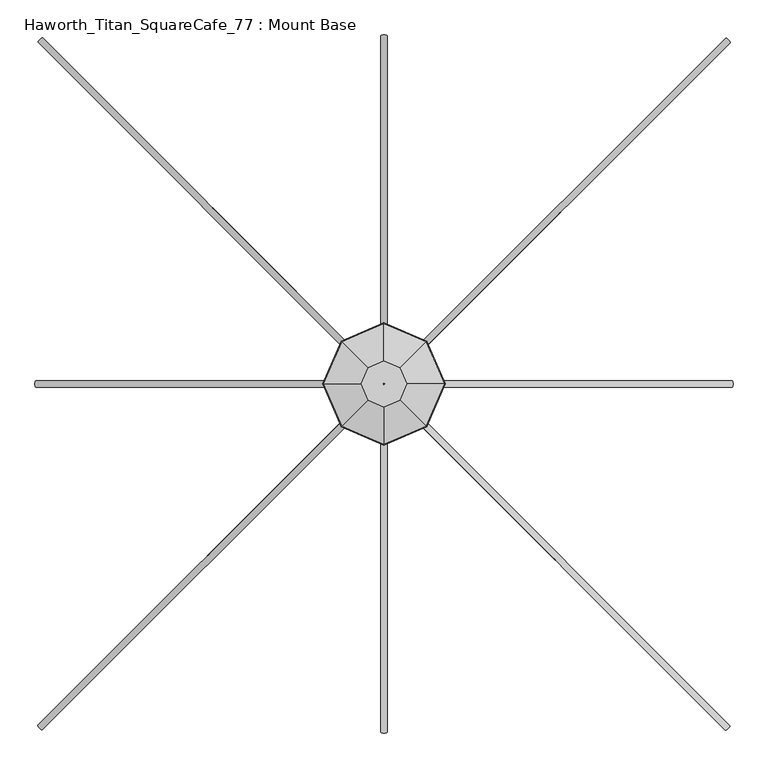
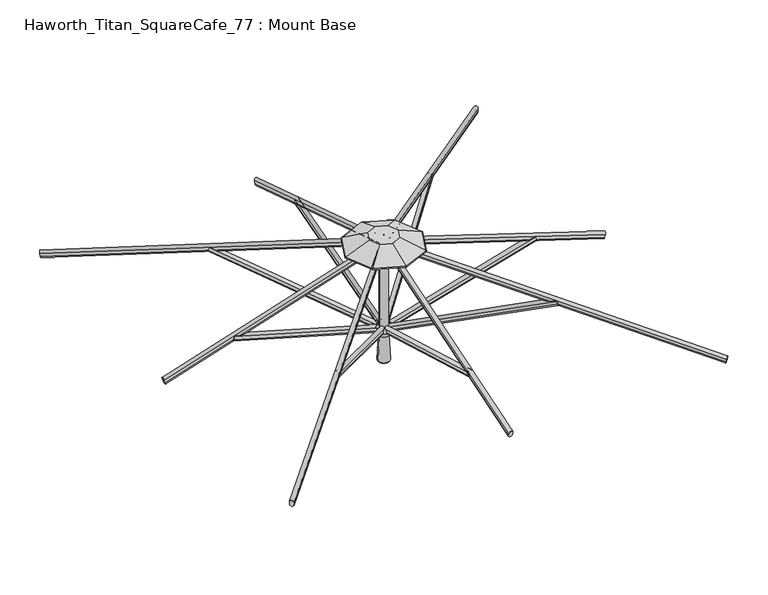
"""IFC4 building model written with IfcOpenShell, lengths in millimetres: furniture geometry, Haworth_Titan_SquareCafe_77 : Mount Base."""

from ifc_helpers import new_model, si_unit, point, frame, frame_2d, origin, place, context, project, spatial, polyline, circle_curve, ellipse_curve, trimmed, segment, composite_curve, outline, extrude, source, transform, mapped, element, save
from ifc_brep_helpers import plane_surface, cylinder_surface, revolved_surface, advanced_brep


def haworth_titan_squarecafe_77_mount_base_4099a682(model_context):
    return source(origin(), model_context, "Body", "SolidModel", [
        advanced_brep(
        [(27.2683615, -19.2336926, 1922.12924), (14.6109934, -31.8847837, 1922.132694), (11.2419343, -28.5104761, 1935.2337774), (23.8412093, -15.8053218, 1935.4482204), (498.5488652, -490.6817867, 2164.7490815), (495.125569, -487.2531575, 2178.0610737), (482.522438, -499.9585701, 2177.8536189), (485.8914971, -503.3328778, 2164.7525356)],
        [
            (0, 1, circle_curve(frame((20.9396775, -25.5592382, 1922.130967), z_axis=(-0.6643469032264145, 0.6645831492634016, -0.34201232417650185), x_axis=(0.24179623770357228, -0.24188222200279652, -0.9396954666866216)), 8.947892)),
            (1, 2),
            (2, 3, circle_curve(frame((17.5134141, -22.1317564, 1935.4464933), z_axis=(-0.6643469032264145, 0.6645831492634016, -0.34201232417650185), x_axis=(0.24179623770357228, -0.24188222200279652, -0.9396954666866216)), 8.947892)),
            (3, 0),
            (4, 5),
            (5, 6, circle_curve(frame((488.7939178, -493.5798504, 2178.0663349), z_axis=(0.6643469032264145, -0.6645831492634016, 0.34201232417650185), x_axis=(0.24179623770357228, -0.24188222200279652, -0.9396954666866216)), 8.947892)),
            (6, 7),
            (7, 4, circle_curve(frame((492.2201811, -497.0073322, 2164.7508086), z_axis=(0.6643469032264145, -0.6645831492634016, 0.34201232417650185), x_axis=(0.24179623770357228, -0.24188222200279652, -0.9396954666866216)), 8.947892)),
            (0, 4),
            (7, 1),
            (6, 2),
            (5, 3),
        ],
        [
            plane_surface(frame((23.4557037, -27.4939855, 1913.4841596), z_axis=(-0.6643469032264145, 0.6645831492634017, -0.34201232417650174), x_axis=(0.7072324735232899, 0.70698106650329, 0.0))),
            plane_surface(frame((494.7362074, -498.9420795, 2156.1040011), z_axis=(0.6643469032264145, -0.6645831492634017, 0.34201232417650174), x_axis=(0.7072324735232899, 0.70698106650329, 0.0))),
            cylinder_surface(frame((20.9396775, -25.5592382, 1922.130967), z_axis=(-0.6643469032264145, 0.6645831492634016, -0.34201232417650185), x_axis=(0.24179623770357228, -0.24188222200279652, -0.9396954666866216)), 8.947892),
            plane_surface(frame((14.6109934, -31.8847837, 1922.132694), z_axis=(-0.7072821230270891, -0.7069313695068921, 0.00019301140866706534), x_axis=(0.6643469032264145, -0.6645831492634016, 0.3420123241765016))),
            cylinder_surface(frame((17.5134141, -22.1317564, 1935.4464933), z_axis=(-0.6643469032264145, 0.6645831492634016, -0.34201232417650185), x_axis=(0.24179623770357228, -0.24188222200279652, -0.9396954666866216)), 8.947892),
            plane_surface(frame((23.8450653, -15.8050635, 1935.4412321), z_axis=(0.7072821230270898, 0.7069313695068913, -0.00019301140866992417), x_axis=(0.6643469032264145, -0.6645831492634016, 0.34201232417650157))),
        ],
        [
            (0, [[1, 2, 3, 4]]),
            (1, [[5, 6, 7, 8]]),
            (2, [[-1, 9, -8, 10]]),
            (3, [[-2, -10, -7, 11]]),
            (4, [[-3, -11, -6, 12]]),
            (5, [[-4, -12, -5, -9]]),
        ],
    ),
        advanced_brep(
        [(-15.2037519, -31.2983023, 1922.12924), (-27.8548429, -18.6409342, 1922.132694), (-24.4805353, -15.2718751, 1935.2337774), (-11.775381, -27.8711501, 1935.4482204), (-486.6518459, -502.5788059, 2164.7490815), (-483.2232167, -499.1555098, 2178.0610737), (-495.9286293, -486.5523788, 2177.8536189), (-499.302937, -489.9214379, 2164.7525356)],
        [
            (0, 1, circle_curve(frame((-21.5292974, -24.9696182, 1922.130967), z_axis=(0.6645831492634093, 0.6643469032264067, -0.34201232417650174), x_axis=(-0.24188222200279944, -0.24179623770356928, -0.9396954666866217)), 8.947892)),
            (1, 2),
            (2, 3, circle_curve(frame((-18.1018156, -21.5433549, 1935.4464933), z_axis=(0.6645831492634093, 0.6643469032264067, -0.34201232417650174), x_axis=(-0.24188222200279944, -0.24179623770356928, -0.9396954666866217)), 8.947892)),
            (3, 0),
            (4, 5),
            (5, 6, circle_curve(frame((-489.5499097, -492.8238585, 2178.0663349), z_axis=(-0.6645831492634093, -0.6643469032264067, 0.34201232417650174), x_axis=(-0.24188222200279944, -0.24179623770356928, -0.9396954666866217)), 8.947892)),
            (6, 7),
            (7, 4, circle_curve(frame((-492.9773914, -496.2501219, 2164.7508086), z_axis=(-0.6645831492634093, -0.6643469032264067, 0.34201232417650174), x_axis=(-0.24188222200279944, -0.24179623770356928, -0.9396954666866217)), 8.947892)),
            (0, 4),
            (7, 1),
            (6, 2),
            (5, 3),
        ],
        [
            plane_surface(frame((-23.4640447, -27.4856445, 1913.4841596), z_axis=(0.6645831492634096, 0.6643469032264068, -0.34201232417650174), x_axis=(0.7069810665032816, -0.7072324735232982, 0.0))),
            plane_surface(frame((-494.9121388, -498.7661482, 2156.1040011), z_axis=(-0.6645831492634096, -0.6643469032264068, 0.34201232417650174), x_axis=(0.7069810665032816, -0.7072324735232982, 0.0))),
            cylinder_surface(frame((-21.5292974, -24.9696182, 1922.130967), z_axis=(0.6645831492634094, 0.6643469032264068, -0.3420123241765018), x_axis=(-0.24188222200279944, -0.24179623770356928, -0.9396954666866217)), 8.947892),
            plane_surface(frame((-27.8548429, -18.6409342, 1922.132694), z_axis=(-0.7069313695068838, 0.7072821230270975, 0.00019301140866717637), x_axis=(-0.6645831492634093, -0.6643469032264067, 0.342012324176502))),
            cylinder_surface(frame((-18.1018156, -21.5433549, 1935.4464933), z_axis=(0.6645831492634094, 0.6643469032264068, -0.3420123241765018), x_axis=(-0.24188222200279944, -0.24179623770356928, -0.9396954666866217)), 8.947892),
            plane_surface(frame((-11.7751227, -27.8750061, 1935.4412321), z_axis=(0.706931369506883, -0.7072821230270981, -0.0001930114086700352), x_axis=(-0.6645831492634093, -0.6643469032264067, 0.342012324176502))),
        ],
        [
            (0, [[1, 2, 3, 4]]),
            (1, [[5, 6, 7, 8]]),
            (2, [[-1, 9, -8, 10]]),
            (3, [[-2, -10, -7, 11]]),
            (4, [[-3, -11, -6, 12]]),
            (5, [[-4, -12, -5, -9]]),
        ],
    ),
        advanced_brep(
        [(-27.2683615, 11.1738111, 1922.12924), (-14.6109934, 23.8249021, 1922.132694), (-11.2419343, 20.4505945, 1935.2337774), (-23.8412093, 7.7454402, 1935.4482204), (-498.5488652, 482.6219051, 2164.7490815), (-495.125569, 479.193276, 2178.0610737), (-482.522438, 491.8986886, 2177.8536189), (-485.8914971, 495.2729962, 2164.7525356)],
        [
            (0, 1, circle_curve(frame((-20.9396775, 17.4993566, 1922.130967), z_axis=(0.6643469032264122, -0.6645831492634039, -0.3420123241765018), x_axis=(-0.24179623770357134, 0.2418822220027974, -0.9396954666866217)), 8.947892)),
            (1, 2),
            (2, 3, circle_curve(frame((-17.5134141, 14.0718748, 1935.4464933), z_axis=(0.6643469032264122, -0.6645831492634039, -0.3420123241765018), x_axis=(-0.24179623770357134, 0.2418822220027974, -0.9396954666866217)), 8.947892)),
            (3, 0),
            (4, 5),
            (5, 6, circle_curve(frame((-488.7939178, 485.5199689, 2178.0663349), z_axis=(-0.6643469032264122, 0.6645831492634039, 0.3420123241765018), x_axis=(-0.24179623770357134, 0.2418822220027974, -0.9396954666866217)), 8.947892)),
            (6, 7),
            (7, 4, circle_curve(frame((-492.2201811, 488.9474507, 2164.7508086), z_axis=(-0.6643469032264122, 0.6645831492634039, 0.3420123241765018), x_axis=(-0.24179623770357134, 0.2418822220027974, -0.9396954666866217)), 8.947892)),
            (0, 4),
            (7, 1),
            (6, 2),
            (5, 3),
        ],
        [
            plane_surface(frame((-23.4557037, 19.4341039, 1913.4841596), z_axis=(0.6643469032264122, -0.664583149263404, -0.3420123241765017), x_axis=(-0.7072324735232923, -0.7069810665032874, 0.0))),
            plane_surface(frame((-494.7362074, 490.882198, 2156.1040011), z_axis=(-0.6643469032264122, 0.664583149263404, 0.3420123241765017), x_axis=(-0.7072324735232923, -0.7069810665032874, 0.0))),
            cylinder_surface(frame((-20.9396775, 17.4993566, 1922.130967), z_axis=(0.6643469032264123, -0.664583149263404, -0.34201232417650185), x_axis=(-0.24179623770357134, 0.2418822220027974, -0.9396954666866217)), 8.947892),
            plane_surface(frame((-14.6109934, 23.8249021, 1922.132694), z_axis=(0.7072821230270916, 0.7069313695068894, 0.00019301140866712085), x_axis=(-0.6643469032264121, 0.664583149263404, 0.3420123241765016))),
            cylinder_surface(frame((-17.5134141, 14.0718748, 1935.4464933), z_axis=(0.6643469032264123, -0.664583149263404, -0.34201232417650185), x_axis=(-0.24179623770357134, 0.2418822220027974, -0.9396954666866217)), 8.947892),
            plane_surface(frame((-23.8450653, 7.7451819, 1935.4412321), z_axis=(-0.7072821230270925, -0.7069313695068887, -0.00019301140866992417), x_axis=(-0.6643469032264121, 0.6645831492634041, 0.3420123241765017))),
        ],
        [
            (0, [[1, 2, 3, 4]]),
            (1, [[5, 6, 7, 8]]),
            (2, [[-1, 9, -8, 10]]),
            (3, [[-2, -10, -7, 11]]),
            (4, [[-3, -11, -6, 12]]),
            (5, [[-4, -12, -5, -9]]),
        ],
    ),
        advanced_brep(
        [(15.2037519, 23.2384207, 1922.12924), (27.8548429, 10.5810526, 1922.132694), (24.4805353, 7.2119936, 1935.2337774), (11.775381, 19.8112685, 1935.4482204), (486.6518459, 494.5189244, 2164.7490815), (483.2232167, 491.0956282, 2178.0610737), (495.9286293, 478.4924972, 2177.8536189), (499.302937, 481.8615563, 2164.7525356)],
        [
            (0, 1, circle_curve(frame((21.5292974, 16.9097367, 1922.130967), z_axis=(-0.6645831492633985, -0.6643469032264175, -0.34201232417650174), x_axis=(0.2418822220027955, 0.24179623770357314, -0.9396954666866216)), 8.947892)),
            (1, 2),
            (2, 3, circle_curve(frame((18.1018156, 13.4834733, 1935.4464933), z_axis=(-0.6645831492633985, -0.6643469032264175, -0.34201232417650174), x_axis=(0.2418822220027955, 0.24179623770357314, -0.9396954666866216)), 8.947892)),
            (3, 0),
            (4, 5),
            (5, 6, circle_curve(frame((489.5499097, 484.763977, 2178.0663349), z_axis=(0.6645831492633985, 0.6643469032264175, 0.34201232417650174), x_axis=(0.2418822220027955, 0.24179623770357314, -0.9396954666866216)), 8.947892)),
            (6, 7),
            (7, 4, circle_curve(frame((492.9773914, 488.1902404, 2164.7508086), z_axis=(0.6645831492633985, 0.6643469032264175, 0.34201232417650174), x_axis=(0.2418822220027955, 0.24179623770357314, -0.9396954666866216)), 8.947892)),
            (0, 4),
            (7, 1),
            (6, 2),
            (5, 3),
        ],
        [
            plane_surface(frame((23.4640447, 19.4257629, 1913.4841596), z_axis=(-0.6645831492633986, -0.6643469032264175, -0.3420123241765016), x_axis=(-0.7069810665032932, 0.7072324735232866, 0.0))),
            plane_surface(frame((494.9121388, 490.7062666, 2156.1040011), z_axis=(0.6645831492633986, 0.6643469032264175, 0.3420123241765016), x_axis=(-0.7069810665032932, 0.7072324735232866, 0.0))),
            cylinder_surface(frame((21.5292974, 16.9097367, 1922.130967), z_axis=(-0.6645831492633985, -0.6643469032264175, -0.34201232417650174), x_axis=(0.2418822220027955, 0.24179623770357314, -0.9396954666866216)), 8.947892),
            plane_surface(frame((27.8548429, 10.5810526, 1922.132694), z_axis=(0.7069313695068951, -0.7072821230270858, 0.00019301140866723188), x_axis=(0.6645831492633986, 0.6643469032264174, 0.3420123241765016))),
            cylinder_surface(frame((18.1018156, 13.4834733, 1935.4464933), z_axis=(-0.6645831492633985, -0.6643469032264175, -0.34201232417650174), x_axis=(0.2418822220027955, 0.24179623770357314, -0.9396954666866216)), 8.947892),
            plane_surface(frame((11.7751227, 19.8151246, 1935.4412321), z_axis=(-0.7069313695068944, 0.7072821230270866, -0.0001930114086701462), x_axis=(0.6645831492633985, 0.6643469032264174, 0.342012324176502))),
        ],
        [
            (0, [[1, 2, 3, 4]]),
            (1, [[5, 6, 7, 8]]),
            (2, [[-1, 9, -8, 10]]),
            (3, [[-2, -10, -7, 11]]),
            (4, [[-3, -11, -6, 12]]),
            (5, [[-4, -12, -5, -9]]),
        ],
    ),
        extrude(outline(composite_curve([segment(trimmed(circle_curve(frame_2d((0.0, -8.9882112)), 8.9535), [point((-8.9535, -8.9882112))], [point((8.9535, -8.9882112))], False, "CARTESIAN"), True, "CONTINUOUS"), segment(polyline([(8.9535, -8.9882112), (8.9535, -23.3267344)]), True, "CONTINUOUS"), segment(trimmed(circle_curve(frame_2d((0.0, -23.3267344)), 8.9535), [point((8.9535, -23.3267344))], [point((-8.9535, -23.3267344))], False, "CARTESIAN"), True, "CONTINUOUS"), segment(polyline([(-8.9535, -23.3267344), (-8.9535, -8.9882112)]), True, "CONTINUOUS")], self_intersect=False)), frame((0.0, -36.2708472, 1913.1899904), z_axis=(0.0, -0.961261669925532, 0.27563744653435174), x_axis=(-1.0, 0.0, 0.0)), (0.0, 0.0, 1.0), 668.2796334),
        extrude(outline(composite_curve([segment(trimmed(circle_curve(frame_2d((0.0, -8.9882112)), 8.9535), [point((-8.9535, -8.9882112))], [point((8.9535, -8.9882112))], False, "CARTESIAN"), True, "CONTINUOUS"), segment(polyline([(8.9535, -8.9882112), (8.9535, -23.3267344)]), True, "CONTINUOUS"), segment(trimmed(circle_curve(frame_2d((0.0, -23.3267344)), 8.9535), [point((8.9535, -23.3267344))], [point((-8.9535, -23.3267344))], False, "CARTESIAN"), True, "CONTINUOUS"), segment(polyline([(-8.9535, -23.3267344), (-8.9535, -8.9882112)]), True, "CONTINUOUS")], self_intersect=False)), frame((-32.2409064, -4.0299408, 1913.1899904), z_axis=(-0.961261669925532, 0.0, 0.27563744653435174), x_axis=(0.0, 1.0, 0.0)), (0.0, 0.0, 1.0), 668.2796334),
        extrude(outline(composite_curve([segment(trimmed(circle_curve(frame_2d((0.0, -8.9882112)), 8.9535), [point((-8.9535, -8.9882112))], [point((8.9535, -8.9882112))], False, "CARTESIAN"), True, "CONTINUOUS"), segment(polyline([(8.9535, -8.9882112), (8.9535, -23.3267345)]), True, "CONTINUOUS"), segment(trimmed(circle_curve(frame_2d((0.0, -23.3267345)), 8.9535), [point((8.9535, -23.3267345))], [point((-8.9535, -23.3267345))], False, "CARTESIAN"), True, "CONTINUOUS"), segment(polyline([(-8.9535, -23.3267345), (-8.9535, -8.9882112)]), True, "CONTINUOUS")], self_intersect=False)), frame((0.0, 28.2109657, 1913.1899904), z_axis=(0.0, 0.961261669925532, 0.27563744653435174), x_axis=(1.0, 0.0, 0.0)), (0.0, 0.0, 1.0), 668.2796334),
        extrude(outline(composite_curve([segment(trimmed(circle_curve(frame_2d((0.0, -8.9882112)), 8.9535), [point((-8.9535, -8.9882112))], [point((8.9535, -8.9882112))], False, "CARTESIAN"), True, "CONTINUOUS"), segment(polyline([(8.9535, -8.9882112), (8.9535, -23.3267344)]), True, "CONTINUOUS"), segment(trimmed(circle_curve(frame_2d((0.0, -23.3267344)), 8.9535), [point((8.9535, -23.3267344))], [point((-8.9535, -23.3267344))], False, "CARTESIAN"), True, "CONTINUOUS"), segment(polyline([(-8.9535, -23.3267344), (-8.9535, -8.9882112)]), True, "CONTINUOUS")], self_intersect=False)), frame((32.2409064, -4.0299408, 1913.1899904), z_axis=(0.961261669925532, 0.0, 0.27563744653435174), x_axis=(0.0, -1.0, 0.0)), (0.0, 0.0, 1.0), 668.2796334),
        extrude(outline(composite_curve([segment(trimmed(circle_curve(frame_2d((0.0454337, -8.9661607)), 8.9535016), [point((-8.9080678, -8.9644053))], [point((8.9989351, -8.9679161))], False, "CARTESIAN"), True, "CONTINUOUS"), segment(polyline([(8.9989351, -8.9679161), (8.9961217, -23.3170803)]), True, "CONTINUOUS"), segment(trimmed(circle_curve(frame_2d((0.0426203, -23.3153248)), 8.9535016), [point((8.9961217, -23.3170803))], [point((-8.9108812, -23.3135694))], False, "CARTESIAN"), True, "CONTINUOUS"), segment(polyline([(-8.9108812, -23.3135694), (-8.9080678, -8.9644053)]), True, "CONTINUOUS")], self_intersect=False)), frame((963.96455, -968.3772597, 2005.2716378), z_axis=(-0.6898143319487544, 0.689814331948779, 0.2198007617733697), x_axis=(0.7071067811865601, 0.707106781186535, 0.0)), (0.0, 0.0, 1.0), 1339.85),
        extrude(outline(composite_curve([segment(trimmed(circle_curve(frame_2d((0.0454337, -8.9661607)), 8.9535016), [point((-8.9080678, -8.9644053))], [point((8.9989351, -8.9679161))], False, "CARTESIAN"), True, "CONTINUOUS"), segment(polyline([(8.9989351, -8.9679161), (8.9961218, -23.3170804)]), True, "CONTINUOUS"), segment(trimmed(circle_curve(frame_2d((0.0426203, -23.3153248)), 8.9535016), [point((8.9961218, -23.3170804))], [point((-8.9108812, -23.3135694))], False, "CARTESIAN"), True, "CONTINUOUS"), segment(polyline([(-8.9108812, -23.3135694), (-8.9080678, -8.9644053)]), True, "CONTINUOUS")], self_intersect=False)), frame((-964.3473189, -967.9944907, 2005.2716378), z_axis=(0.6898143319487872, 0.6898143319487462, 0.21980076177336982), x_axis=(0.7071067811865266, -0.7071067811865686, 0.0)), (0.0, 0.0, 1.0), 1339.85),
        extrude(outline(composite_curve([segment(trimmed(circle_curve(frame_2d((0.0454336, -8.9661607)), 8.9535016), [point((-8.9080678, -8.9644053))], [point((8.9989351, -8.9679161))], False, "CARTESIAN"), True, "CONTINUOUS"), segment(polyline([(8.9989351, -8.9679161), (8.9961217, -23.3170803)]), True, "CONTINUOUS"), segment(trimmed(circle_curve(frame_2d((0.0426202, -23.3153248)), 8.9535016), [point((8.9961217, -23.3170803))], [point((-8.9108812, -23.3135694))], False, "CARTESIAN"), True, "CONTINUOUS"), segment(polyline([(-8.9108812, -23.3135694), (-8.9080678, -8.9644053)]), True, "CONTINUOUS")], self_intersect=False)), frame((-963.96455, 960.3173781, 2005.2716378), z_axis=(0.6898143319487519, -0.6898143319487815, 0.21980076177336977), x_axis=(-0.7071067811865628, -0.7071067811865324, 0.0)), (0.0, 0.0, 1.0), 1339.85),
        extrude(outline(composite_curve([segment(trimmed(circle_curve(frame_2d((13.6732816, 0.0)), 8.9535), [point((13.6732816, 8.9535))], [point((13.6732816, -8.9535))], False, "CARTESIAN"), True, "CONTINUOUS"), segment(polyline([(13.6732816, -8.9535), (-0.6443724, -8.9535)]), True, "CONTINUOUS"), segment(trimmed(circle_curve(frame_2d((-0.6443724, 0.0)), 8.9535), [point((-0.6443724, -8.9535))], [point((-0.6443724, 8.9535))], False, "CARTESIAN"), True, "CONTINUOUS"), segment(polyline([(-0.6443724, 8.9535), (13.6732816, 8.9535)]), True, "CONTINUOUS")], self_intersect=False)), frame((0.0, -983.9931133, 2022.1169623), z_axis=(0.0, 0.9527884718553474, 0.30363485949335906), x_axis=(0.0, 0.30363485949335906, -0.9527884718553474)), (0.0, 0.0, 1.0), 993.539067),
        extrude(outline(composite_curve([segment(trimmed(circle_curve(frame_2d((13.6732816, 0.0)), 8.9535), [point((13.6732816, 8.9535))], [point((13.6732816, -8.9535))], False, "CARTESIAN"), True, "CONTINUOUS"), segment(polyline([(13.6732816, -8.9535), (-0.6443724, -8.9535)]), True, "CONTINUOUS"), segment(trimmed(circle_curve(frame_2d((-0.6443724, 0.0)), 8.9535), [point((-0.6443724, -8.9535))], [point((-0.6443724, 8.9535))], False, "CARTESIAN"), True, "CONTINUOUS"), segment(polyline([(-0.6443724, 8.9535), (13.6732816, 8.9535)]), True, "CONTINUOUS")], self_intersect=False)), frame((-979.9631725, -4.0299408, 2022.1169623), z_axis=(0.9527884718553474, 0.0, 0.30363485949335906), x_axis=(0.30363485949335906, 0.0, -0.9527884718553474)), (0.0, 0.0, 1.0), 993.539067),
        extrude(outline(composite_curve([segment(trimmed(circle_curve(frame_2d((13.6732816, 0.0)), 8.9535), [point((13.6732816, 8.9535))], [point((13.6732816, -8.9535))], False, "CARTESIAN"), True, "CONTINUOUS"), segment(polyline([(13.6732816, -8.9535), (-0.6443724, -8.9535)]), True, "CONTINUOUS"), segment(trimmed(circle_curve(frame_2d((-0.6443724, 0.0)), 8.9535), [point((-0.6443724, -8.9535))], [point((-0.6443724, 8.9535))], False, "CARTESIAN"), True, "CONTINUOUS"), segment(polyline([(-0.6443724, 8.9535), (13.6732816, 8.9535)]), True, "CONTINUOUS")], self_intersect=False)), frame((0.0, 975.9332318, 2022.1169623), z_axis=(0.0, -0.9527884718553474, 0.30363485949335906), x_axis=(0.0, -0.30363485949335906, -0.9527884718553474)), (0.0, 0.0, 1.0), 993.539067),
        extrude(outline(composite_curve([segment(trimmed(circle_curve(frame_2d((0.0454336, -8.9661607)), 8.9535016), [point((-8.9080678, -8.9644053))], [point((8.9989351, -8.9679161))], False, "CARTESIAN"), True, "CONTINUOUS"), segment(polyline([(8.9989351, -8.9679161), (8.9961217, -23.3170803)]), True, "CONTINUOUS"), segment(trimmed(circle_curve(frame_2d((0.0426203, -23.3153248)), 8.9535016), [point((8.9961217, -23.3170803))], [point((-8.9108812, -23.3135694))], False, "CARTESIAN"), True, "CONTINUOUS"), segment(polyline([(-8.9108812, -23.3135694), (-8.9080678, -8.9644053)]), True, "CONTINUOUS")], self_intersect=False)), frame((964.3473189, 959.9346092, 2005.2716378), z_axis=(-0.6898143319487758, -0.6898143319487575, 0.2198007617733698), x_axis=(-0.7071067811865381, 0.7071067811865569, 0.0)), (0.0, 0.0, 1.0), 1339.85),
        extrude(outline(composite_curve([segment(trimmed(circle_curve(frame_2d((13.6732816, 0.0)), 8.9535), [point((13.6732816, 8.9535))], [point((13.6732816, -8.9535))], False, "CARTESIAN"), True, "CONTINUOUS"), segment(polyline([(13.6732816, -8.9535), (-0.6443724, -8.9535)]), True, "CONTINUOUS"), segment(trimmed(circle_curve(frame_2d((-0.6443724, 0.0)), 8.9535), [point((-0.6443724, -8.9535))], [point((-0.6443724, 8.9535))], False, "CARTESIAN"), True, "CONTINUOUS"), segment(polyline([(-0.6443724, 8.9535), (13.6732816, 8.9535)]), True, "CONTINUOUS")], self_intersect=False)), frame((979.9631725, -4.0299408, 2022.1169623), z_axis=(-0.9527884718553474, 0.0, 0.303634859493359), x_axis=(-0.303634859493359, 0.0, -0.9527884718553474)), (0.0, 0.0, 1.0), 993.539067),
        advanced_brep(
        [(-19.05, -4.0299408, 2312.4159748), (19.05, -4.0299408, 2312.4159748), (19.05, -4.0299408, 1936.4533127), (-19.05, -4.0299408, 1936.4533127), (0.0, -4.0299408, 2312.4159748), (0.0, -4.0299408, 1936.4533127)],
        [
            (0, 1, circle_curve(frame((0.0, -4.0299408, 2312.4159748), z_axis=(0.0, 0.0, -1.0), x_axis=(1.0, 0.0, 0.0)), 19.05)),
            (1, 2),
            (2, 3, circle_curve(frame((0.0, -4.0299408, 1936.4533127), z_axis=(0.0, 0.0, 1.0), x_axis=(1.0, 0.0, 0.0)), 19.05)),
            (3, 0),
            (1, 0, circle_curve(frame((0.0, -4.0299408, 2312.4159748), z_axis=(0.0, 0.0, -1.0), x_axis=(1.0, 0.0, 0.0)), 19.05)),
            (3, 2, circle_curve(frame((0.0, -4.0299408, 1936.4533127), z_axis=(0.0, 0.0, 1.0), x_axis=(1.0, 0.0, 0.0)), 19.05)),
            (4, 1),
            (0, 4),
            (2, 5),
            (5, 3),
        ],
        [
            cylinder_surface(frame((0.0, -4.0299408, 2414.0159748), z_axis=(0.0, 0.0, 1.0), x_axis=(1.0, 0.0, 0.0)), 19.05),
            plane_surface(frame((0.0, -4.0299408, 2312.4159748), z_axis=(0.0, 0.0, 1.0), x_axis=(1.0, 0.0, 0.0))),
            plane_surface(frame((0.0, -4.0299408, 1936.4533127), z_axis=(0.0, 0.0, -1.0), x_axis=(1.0, 0.0, 0.0))),
        ],
        [
            (0, [[1, 2, 3, 4]]),
            (0, [[5, -4, 6, -2]]),
            (1, [[7, -1, 8]]),
            (1, [[-8, -5, -7]]),
            (2, [[-3, 9, 10]]),
            (2, [[-6, -10, -9]]),
        ],
    ),
        advanced_brep(
        [(-24.3041832, -4.0299408, 1771.394061), (24.3041832, -4.0299408, 1771.394061), (0.0, -4.0299408, 1771.394061), (-25.317844, -4.0299408, 1772.4077219), (25.317844, -4.0299408, 1772.4077219), (-20.5098559, -4.0299408, 1894.321146), (20.5098559, -4.0299408, 1894.321146), (-23.0187508, -4.0299408, 1894.321146), (23.0187508, -4.0299408, 1894.321146), (-30.4482505, -4.0299408, 1912.0693359), (30.4482505, -4.0299408, 1912.0693359), (-30.4482505, -4.0299408, 1937.4693844), (30.4482505, -4.0299408, 1937.4693844), (0.0, -4.0299408, 1937.4693844)],
        [
            (0, 1, circle_curve(frame((0.0, -4.0299408, 1771.394061), z_axis=(0.0, 0.0, -1.0), x_axis=(1.0, 0.0, 0.0)), 24.3041832)),
            (1, 2),
            (2, 0),
            (1, 0, circle_curve(frame((0.0, -4.0299408, 1771.394061), z_axis=(0.0, 0.0, -1.0), x_axis=(1.0, 0.0, 0.0)), 24.3041832)),
            (3, 4, circle_curve(frame((0.0, -4.0299408, 1772.4077219), z_axis=(0.0, 0.0, -1.0), x_axis=(1.0, 0.0, 0.0)), 25.317844)),
            (4, 1),
            (0, 3),
            (4, 3, circle_curve(frame((0.0, -4.0299408, 1772.4077219), z_axis=(0.0, 0.0, -1.0), x_axis=(1.0, 0.0, 0.0)), 25.317844)),
            (5, 6, circle_curve(frame((0.0, -4.0299408, 1894.321146), z_axis=(0.0, 0.0, -1.0), x_axis=(1.0, 0.0, 0.0)), 20.5098559)),
            (6, 4),
            (3, 5),
            (6, 5, circle_curve(frame((0.0, -4.0299408, 1894.321146), z_axis=(0.0, 0.0, -1.0), x_axis=(1.0, 0.0, 0.0)), 20.5098559)),
            (7, 8, circle_curve(frame((0.0, -4.0299408, 1894.321146), z_axis=(0.0, 0.0, -1.0), x_axis=(1.0, 0.0, 0.0)), 23.0187508)),
            (8, 6),
            (5, 7),
            (8, 7, circle_curve(frame((0.0, -4.0299408, 1894.321146), z_axis=(0.0, 0.0, -1.0), x_axis=(1.0, 0.0, 0.0)), 23.0187508)),
            (9, 10, circle_curve(frame((0.0, -4.0299408, 1912.0693359), z_axis=(0.0, 0.0, -1.0), x_axis=(1.0, 0.0, 0.0)), 30.4482505)),
            (10, 8, circle_curve(frame((15.3691688, -4.0299408, 1907.9524191), z_axis=(0.0, 1.0, 0.0), x_axis=(1.0, 0.0, 0.0)), 15.6309856)),
            (7, 9, circle_curve(frame((-15.3691688, -4.0299408, 1907.9524191), z_axis=(0.0, 1.0, 0.0), x_axis=(-1.0, 0.0, 0.0)), 15.6309856)),
            (10, 9, circle_curve(frame((0.0, -4.0299408, 1912.0693359), z_axis=(0.0, 0.0, -1.0), x_axis=(1.0, 0.0, 0.0)), 30.4482505)),
            (11, 12, circle_curve(frame((0.0, -4.0299408, 1937.4693844), z_axis=(0.0, 0.0, -1.0), x_axis=(1.0, 0.0, 0.0)), 30.4482505)),
            (12, 10, circle_curve(frame((24.5799245, -4.0299408, 1924.7693602), z_axis=(0.0, 1.0, 0.0), x_axis=(1.0, 0.0, 0.0)), 13.9902775)),
            (9, 11, circle_curve(frame((-24.5799245, -4.0299408, 1924.7693602), z_axis=(0.0, 1.0, 0.0), x_axis=(-1.0, 0.0, 0.0)), 13.9902775)),
            (12, 11, circle_curve(frame((0.0, -4.0299408, 1937.4693844), z_axis=(0.0, 0.0, -1.0), x_axis=(1.0, 0.0, 0.0)), 30.4482505)),
            (13, 12),
            (11, 13),
        ],
        [
            plane_surface(frame((0.0, -4.0299408, 1771.394061), z_axis=(0.0, 0.0, -1.0), x_axis=(1.0, 0.0, 0.0))),
            revolved_surface(polyline([(24.3041832, -4.0299408, 1771.394061), (25.317844, -4.0299408, 1772.4077219)]), (0.0, -4.0299408, 1975.5693844), (0.0, 0.0, 1.0)),
            revolved_surface(polyline([(25.317844, -4.0299408, 1772.4077219), (20.5098559, -4.0299408, 1894.321146)]), (0.0, -4.0299408, 1975.5693844), (0.0, 0.0, 1.0)),
            plane_surface(frame((0.0, -4.0299408, 1894.321146), z_axis=(0.0, 0.0, -1.0), x_axis=(1.0, 0.0, 0.0))),
            revolved_surface(trimmed(ellipse_curve(frame((15.3691688, -4.0299408, 1907.9524191), z_axis=(0.0, -1.0, 0.0), x_axis=(1.0, 0.0, 0.0)), 15.6309856, 15.6309856), [point((23.0187508, -4.0299408, 1894.321146))], [point((30.4482505, -4.0299408, 1912.0693359))], True, "CARTESIAN"), (0.0, -4.0299408, 1975.5693844), (0.0, 0.0, 1.0)),
            revolved_surface(trimmed(ellipse_curve(frame((24.5799245, -4.0299408, 1924.7693602), z_axis=(0.0, -1.0, 0.0), x_axis=(1.0, 0.0, 0.0)), 13.9902775, 13.9902775), [point((30.4482505, -4.0299408, 1912.0693359))], [point((30.4482505, -4.0299408, 1937.4693844))], True, "CARTESIAN"), (0.0, -4.0299408, 1975.5693844), (0.0, 0.0, 1.0)),
            plane_surface(frame((0.0, -4.0299408, 1937.4693844), z_axis=(0.0, 0.0, 1.0), x_axis=(1.0, 0.0, 0.0))),
        ],
        [
            (0, [[1, 2, 3]]),
            (0, [[4, -3, -2]]),
            (1, [[5, 6, -1, 7]]),
            (1, [[8, -7, -4, -6]]),
            (2, [[9, 10, -5, 11]]),
            (2, [[12, -11, -8, -10]]),
            (3, [[13, 14, -9, 15]]),
            (3, [[16, -15, -12, -14]]),
            (4, [[17, 18, -13, 19]]),
            (4, [[20, -19, -16, -18]]),
            (5, [[21, 22, -17, 23]]),
            (5, [[24, -23, -20, -22]]),
            (6, [[25, -21, 26]]),
            (6, [[-26, -24, -25]]),
        ],
    ),
        advanced_brep(
        [(-50.6448461, -4.0299408, 2311.4000484), (50.6448461, -4.0299408, 2311.4000484), (0.0, -4.0299408, 2311.4000484), (-50.6448461, -4.0299408, 2336.8000484), (50.6448461, -4.0299408, 2336.8000484), (0.0, -4.0299408, 2336.8000484)],
        [
            (0, 1, circle_curve(frame((0.0, -4.0299408, 2311.4000484), z_axis=(0.0, 0.0, -1.0), x_axis=(1.0, 0.0, 0.0)), 50.6448461)),
            (1, 2),
            (2, 0),
            (1, 0, circle_curve(frame((0.0, -4.0299408, 2311.4000484), z_axis=(0.0, 0.0, -1.0), x_axis=(1.0, 0.0, 0.0)), 50.6448461)),
            (3, 4, circle_curve(frame((0.0, -4.0299408, 2336.8000484), z_axis=(0.0, 0.0, -1.0), x_axis=(1.0, 0.0, 0.0)), 50.6448461)),
            (4, 1, circle_curve(frame((50.6448461, -4.0299408, 2324.1000484), z_axis=(0.0, 1.0, 0.0), x_axis=(1.0, 0.0, 0.0)), 12.7)),
            (0, 3, circle_curve(frame((-50.6448461, -4.0299408, 2324.1000484), z_axis=(0.0, 1.0, 0.0), x_axis=(-1.0, 0.0, 0.0)), 12.7)),
            (4, 3, circle_curve(frame((0.0, -4.0299408, 2336.8000484), z_axis=(0.0, 0.0, -1.0), x_axis=(1.0, 0.0, 0.0)), 50.6448461)),
            (5, 4),
            (3, 5),
        ],
        [
            plane_surface(frame((0.0, -4.0299408, 2311.4000484), z_axis=(0.0, 0.0, -1.0), x_axis=(1.0, 0.0, 0.0))),
            revolved_surface(trimmed(ellipse_curve(frame((50.6448461, -4.0299408, 2324.1000484), z_axis=(0.0, -1.0, 0.0), x_axis=(1.0, 0.0, 0.0)), 12.7, 12.7), [point((50.6448461, -4.0299408, 2311.4000484))], [point((50.6448461, -4.0299408, 2336.8000484))], True, "CARTESIAN"), (0.0, -4.0299408, 2374.9000484), (0.0, 0.0, 1.0)),
            plane_surface(frame((0.0, -4.0299408, 2336.8000484), z_axis=(0.0, 0.0, 1.0), x_axis=(1.0, 0.0, 0.0))),
        ],
        [
            (0, [[1, 2, 3]]),
            (0, [[4, -3, -2]]),
            (1, [[5, 6, -1, 7]]),
            (1, [[8, -7, -4, -6]]),
            (2, [[9, -5, 10]]),
            (2, [[-10, -8, -9]]),
        ],
    ),
        advanced_brep(
        [(-46.0194858, 41.989545, 2357.6998386), (-118.5520879, 114.5221471, 2314.2481925), (-169.9226455, -4.0299408, 2314.2481925), (-65.9604812, -4.0299408, 2357.6998386), (-116.8562414, 112.8263006, 2308.3182827), (-44.6465489, 40.6166081, 2336.8711681), (-63.9926283, -4.0299408, 2336.8711681), (-167.4919609, -4.0299408, 2308.3182827), (-118.5520879, -122.5820287, 2314.2481925), (-46.0194858, -50.0494266, 2357.6998386), (-44.6465489, -48.6764896, 2336.8711681), (-116.8562414, -120.8861821, 2308.3182827), (0.0, -173.9525863, 2314.2481925), (0.0, -69.990422, 2357.6998386), (0.0, -68.0225691, 2336.8711681), (0.0, -171.5219017, 2308.3182827), (118.5520879, -122.5820287, 2314.2481925), (46.0194858, -50.0494266, 2357.6998386), (44.6465489, -48.6764896, 2336.8711681), (116.8562414, -120.8861821, 2308.3182827), (169.9226455, -4.0299408, 2314.2481925), (65.9604812, -4.0299408, 2357.6998386), (63.9926283, -4.0299408, 2336.8711681), (167.4919609, -4.0299408, 2308.3182827), (118.5520879, 114.5221471, 2314.2481925), (46.0194858, 41.989545, 2357.6998386), (44.6465489, 40.6166081, 2336.8711681), (116.8562414, 112.8263006, 2308.3182827), (0.0, 165.8927047, 2314.2481925), (0.0, 61.9305405, 2357.6998386), (0.0, 59.9626875, 2336.8711681), (0.0, 163.4620202, 2308.3182827), (-1.1916156, -2.8383252, 2357.6998386), (0.0, -2.3219787, 2357.6998386), (1.1916156, -2.8383252, 2357.6998386), (1.7079621, -4.0299408, 2357.6998386), (1.1916156, -5.2215564, 2357.6998386), (0.0, -5.7379029, 2357.6998386), (-1.1916156, -5.2215564, 2357.6998386), (-1.7079621, -4.0299408, 2357.6998386), (1.7079621, -4.0299408, 2336.8711681), (1.1916156, -2.8383252, 2336.8711681), (0.0, -2.3219787, 2336.8711681), (-1.1916156, -2.8383252, 2336.8711681), (-1.7079621, -4.0299408, 2336.8711681), (-1.1916156, -5.2215564, 2336.8711681), (0.0, -5.7379029, 2336.8711681), (1.1916156, -5.2215564, 2336.8711681)],
        [
            (0, 1),
            (1, 2),
            (2, 3),
            (3, 0),
            (4, 5),
            (5, 6),
            (6, 7),
            (7, 4),
            (2, 8),
            (8, 9),
            (9, 3),
            (6, 10),
            (10, 11),
            (11, 7),
            (8, 12),
            (12, 13),
            (13, 9),
            (10, 14),
            (14, 15),
            (15, 11),
            (12, 16),
            (16, 17),
            (17, 13),
            (14, 18),
            (18, 19),
            (19, 15),
            (16, 20),
            (20, 21),
            (21, 17),
            (18, 22),
            (22, 23),
            (23, 19),
            (20, 24),
            (24, 25),
            (25, 21),
            (22, 26),
            (26, 27),
            (27, 23),
            (24, 28),
            (28, 29),
            (29, 25),
            (26, 30),
            (30, 31),
            (31, 27),
            (28, 1),
            (0, 29),
            (32, 33),
            (33, 34),
            (34, 35),
            (35, 36),
            (36, 37),
            (37, 38),
            (38, 39),
            (39, 32),
            (5, 30),
            (40, 41),
            (41, 42),
            (42, 43),
            (43, 44),
            (44, 45),
            (45, 46),
            (46, 47),
            (47, 40),
            (4, 31),
            (1, 4, ellipse_curve(frame((-117.5513482, 113.5214075, 2311.3588273), z_axis=(-0.7071067811865479, -0.707106781186547, 0.0), x_axis=(-0.7071067811865467, 0.7071067811865483, 0.0)), 3.414142, 3.175)),
            (7, 2, ellipse_curve(frame((-168.488269, -4.0299408, 2311.3588273), z_axis=(0.0, 0.9999999999999999, 0.0), x_axis=(1.0, 0.0, 0.0)), 3.4602592, 3.175)),
            (11, 8, ellipse_curve(frame((-117.5513482, -121.581289, 2311.3588273), z_axis=(-0.707106781186547, 0.707106781186548, 0.0), x_axis=(0.7071067811865479, 0.707106781186547, 0.0)), 3.414142, 3.175)),
            (15, 12, ellipse_curve(frame((0.0, -172.5182098, 2311.3588273), z_axis=(-0.9999999999999999, 0.0, 0.0), x_axis=(0.0, 1.0, 0.0)), 3.4602592, 3.175)),
            (19, 16, ellipse_curve(frame((117.5513482, -121.581289, 2311.3588273), z_axis=(-0.707106781186548, -0.707106781186547, 0.0), x_axis=(-0.7071067811865469, 0.7071067811865481, 0.0)), 3.414142, 3.175)),
            (23, 20, ellipse_curve(frame((168.488269, -4.0299408, 2311.3588273), z_axis=(0.0, -1.0, 0.0), x_axis=(-1.0, 0.0, 0.0)), 3.4602592, 3.175)),
            (27, 24, ellipse_curve(frame((117.5513482, 113.5214075, 2311.3588273), z_axis=(0.707106781186547, -0.707106781186548, 0.0), x_axis=(-0.7071067811865478, -0.7071067811865471, 0.0)), 3.414142, 3.175)),
            (31, 28, ellipse_curve(frame((0.0, 164.4583282, 2311.3588273), z_axis=(0.9999999999999999, 0.0, 0.0), x_axis=(0.0, -1.0, 0.0)), 3.4602592, 3.175)),
            (43, 32),
            (39, 44),
            (38, 45),
            (37, 46),
            (36, 47),
            (35, 40),
            (34, 41),
            (33, 42),
        ],
        [
            plane_surface(frame((-118.5520879, 114.5221471, 2314.2481925), z_axis=(-0.3803554335054076, 0.1648142268191204, 0.9100362711677645), x_axis=(-0.3975943152246023, -0.9175613115760056, 0.0))),
            plane_surface(frame((-44.6465489, 40.6166081, 2336.8711681), z_axis=(0.2641922660836568, -0.11447882751370907, -0.9576518389230342), x_axis=(-0.39759431522460253, -0.9175613115760055, 0.0))),
            plane_surface(frame((-169.9226455, -4.0299408, 2314.2481925), z_axis=(-0.3803554335054082, -0.16481422681911934, 0.9100362711677645), x_axis=(0.3975943152245997, -0.9175613115760067, 0.0))),
            plane_surface(frame((-63.9926283, -4.0299408, 2336.8711681), z_axis=(0.2641922660836572, 0.11447882751370814, -0.9576518389230342), x_axis=(0.3975943152245993, -0.9175613115760068, 0.0))),
            plane_surface(frame((-118.5520879, -122.5820287, 2314.2481925), z_axis=(-0.1648142268191199, -0.3803554335054079, 0.9100362711677648), x_axis=(0.9175613115760062, -0.3975943152246011, 0.0))),
            plane_surface(frame((-44.6465489, -48.6764896, 2336.8711681), z_axis=(0.11447882751370854, 0.264192266083657, -0.9576518389230342), x_axis=(0.9175613115760063, -0.3975943152246008, 0.0))),
            plane_surface(frame((0.0, -173.9525863, 2314.2481925), z_axis=(0.16481422681911986, -0.38035543350540796, 0.9100362711677645), x_axis=(0.9175613115760062, 0.397594315224601, 0.0))),
            plane_surface(frame((0.0, -68.0225691, 2336.8711681), z_axis=(-0.11447882751370878, 0.2641922660836569, -0.9576518389230342), x_axis=(0.917561311576006, 0.39759431522460154, 0.0))),
            plane_surface(frame((118.5520879, -122.5820287, 2314.2481925), z_axis=(0.3803554335054076, -0.16481422681912042, 0.9100362711677644), x_axis=(0.39759431522460237, 0.9175613115760055, 0.0))),
            plane_surface(frame((44.6465489, -48.6764896, 2336.8711681), z_axis=(-0.26419226608365687, 0.114478827513709, -0.9576518389230342), x_axis=(0.3975943152246023, 0.9175613115760056, 0.0))),
            plane_surface(frame((169.9226455, -4.0299408, 2314.2481925), z_axis=(0.38035543350540807, 0.16481422681911925, 0.9100362711677645), x_axis=(-0.3975943152245996, 0.9175613115760067, 0.0))),
            plane_surface(frame((63.9926283, -4.0299408, 2336.8711681), z_axis=(-0.2641922660836571, -0.11447882751370826, -0.9576518389230342), x_axis=(-0.3975943152245998, 0.9175613115760067, 0.0))),
            plane_surface(frame((118.5520879, 114.5221471, 2314.2481925), z_axis=(0.16481422681911984, 0.3803554335054078, 0.9100362711677648), x_axis=(-0.9175613115760062, 0.39759431522460104, 0.0))),
            plane_surface(frame((44.6465489, 40.6166081, 2336.8711681), z_axis=(-0.11447882751370858, -0.264192266083657, -0.9576518389230343), x_axis=(-0.9175613115760063, 0.3975943152246009, 0.0))),
            plane_surface(frame((0.0, 165.8927047, 2314.2481925), z_axis=(-0.16481422681911978, 0.3803554335054079, 0.9100362711677645), x_axis=(-0.9175613115760063, -0.3975943152246008, 0.0))),
            plane_surface(frame((0.0, 61.9305405, 2357.6998386), z_axis=(0.0, 0.0, 1.0000000000000002), x_axis=(-0.9175613115760063, -0.39759431522460087, 0.0))),
            plane_surface(frame((0.0, -2.3219787, 2336.8711681), z_axis=(0.0, 0.0, -1.0), x_axis=(-0.9175613115760008, -0.39759431522461314, 0.0))),
            plane_surface(frame((0.0, 59.9626875, 2336.8711681), z_axis=(0.11447882751370861, -0.2641922660836569, -0.9576518389230342), x_axis=(-0.9175613115760062, -0.3975943152246011, 0.0))),
            cylinder_surface(frame((-119.8125452, 108.3030561, 2311.3588273), z_axis=(0.39759431522460237, 0.9175613115760056, 0.0), x_axis=(0.9175613115760056, -0.39759431522460237, 0.0)), 3.175),
            cylinder_surface(frame((-166.0100206, -9.7491997, 2311.3588273), z_axis=(-0.39759431522459965, 0.9175613115760068, 0.0), x_axis=(0.9175613115760068, 0.39759431522459965, 0.0)), 3.175),
            cylinder_surface(frame((-112.3329969, -123.842486, 2311.3588273), z_axis=(-0.9175613115760063, 0.3975943152246009, 0.0), x_axis=(0.3975943152246009, 0.9175613115760063, 0.0)), 3.175),
            cylinder_surface(frame((5.7192589, -170.0399614, 2311.3588273), z_axis=(-0.9175613115760062, -0.3975943152246011, 0.0), x_axis=(-0.3975943152246011, 0.9175613115760062, 0.0)), 3.175),
            cylinder_surface(frame((119.8125452, -116.3629377, 2311.3588273), z_axis=(-0.3975943152246023, -0.9175613115760057, 0.0), x_axis=(-0.9175613115760057, 0.3975943152246023, 0.0)), 3.175),
            cylinder_surface(frame((166.0100206, 1.6893181, 2311.3588273), z_axis=(0.39759431522459965, -0.9175613115760066, 0.0), x_axis=(-0.9175613115760066, -0.39759431522459965, 0.0)), 3.175),
            cylinder_surface(frame((112.3329969, 115.7826044, 2311.3588273), z_axis=(0.9175613115760062, -0.3975943152246008, 0.0), x_axis=(-0.3975943152246008, -0.9175613115760062, 0.0)), 3.175),
            cylinder_surface(frame((-5.7192589, 161.9800798, 2311.3588273), z_axis=(0.9175613115760061, 0.39759431522460115, 0.0), x_axis=(0.39759431522460115, -0.9175613115760061, 0.0)), 3.175),
            plane_surface(frame((-1.1916156, -2.8383252, 2357.6998386), z_axis=(0.9175613115760038, -0.39759431522460625, 0.0), x_axis=(-0.39759431522460625, -0.9175613115760038, 0.0))),
            plane_surface(frame((-1.7079621, -4.0299408, 2357.6998386), z_axis=(0.9175613115760021, 0.3975943152246105, 0.0), x_axis=(0.3975943152246105, -0.9175613115760021, 0.0))),
            plane_surface(frame((-1.1916156, -5.2215564, 2357.6998386), z_axis=(0.3975943152246073, 0.9175613115760034, 0.0), x_axis=(0.9175613115760034, -0.3975943152246073, 0.0))),
            plane_surface(frame((0.0, -5.7379029, 2357.6998386), z_axis=(-0.3975943152246036, 0.9175613115760052, 0.0), x_axis=(0.9175613115760052, 0.3975943152246036, 0.0))),
            plane_surface(frame((1.1916156, -5.2215564, 2357.6998386), z_axis=(-0.9175613115759955, 0.3975943152246254, 0.0), x_axis=(0.3975943152246254, 0.9175613115759955, 0.0))),
            plane_surface(frame((1.7079621, -4.0299408, 2357.6998386), z_axis=(-0.9175613115760076, -0.3975943152245974, 0.0), x_axis=(-0.3975943152245974, 0.9175613115760076, 0.0))),
            plane_surface(frame((1.1916156, -2.8383252, 2357.6998386), z_axis=(-0.3975943152245922, -0.9175613115760101, 0.0), x_axis=(-0.9175613115760101, 0.3975943152245922, 0.0))),
            plane_surface(frame((0.0, -2.3219787, 2357.6998386), z_axis=(0.39759431522460587, -0.9175613115760042, 0.0), x_axis=(-0.9175613115760042, -0.39759431522460587, 0.0))),
        ],
        [
            (0, [[1, 2, 3, 4]]),
            (1, [[5, 6, 7, 8]]),
            (2, [[-3, 9, 10, 11]]),
            (3, [[-7, 12, 13, 14]]),
            (4, [[-10, 15, 16, 17]]),
            (5, [[-13, 18, 19, 20]]),
            (6, [[-16, 21, 22, 23]]),
            (7, [[-19, 24, 25, 26]]),
            (8, [[-22, 27, 28, 29]]),
            (9, [[-25, 30, 31, 32]]),
            (10, [[-28, 33, 34, 35]]),
            (11, [[-31, 36, 37, 38]]),
            (12, [[-34, 39, 40, 41]]),
            (13, [[-37, 42, 43, 44]]),
            (14, [[-40, 45, -1, 46]]),
            (15, [[-35, -41, -46, -4, -11, -17, -23, -29], [47, 48, 49, 50, 51, 52, 53, 54]]),
            (16, [[55, -42, -36, -30, -24, -18, -12, -6], [56, 57, 58, 59, 60, 61, 62, 63]]),
            (17, [[-43, -55, -5, 64]]),
            (18, [[65, -8, 66, -2]]),
            (19, [[-66, -14, 67, -9]]),
            (20, [[-67, -20, 68, -15]]),
            (21, [[-68, -26, 69, -21]]),
            (22, [[-69, -32, 70, -27]]),
            (23, [[-70, -38, 71, -33]]),
            (24, [[-71, -44, 72, -39]]),
            (25, [[-72, -64, -65, -45]]),
            (26, [[73, -54, 74, -59]]),
            (27, [[-74, -53, 75, -60]]),
            (28, [[-75, -52, 76, -61]]),
            (29, [[-76, -51, 77, -62]]),
            (30, [[-77, -50, 78, -63]]),
            (31, [[-78, -49, 79, -56]]),
            (32, [[-79, -48, 80, -57]]),
            (33, [[-80, -47, -73, -58]]),
        ],
    ),
    ])


if __name__ == "__main__":
    model = new_model("IFC4")
    model_context = context("Model", 3, world=origin())
    ifc_project = project(units=[si_unit("LENGTHUNIT", "METRE", prefix="MILLI")], contexts=[model_context])
    site = spatial("IfcSite", under=ifc_project)
    building = spatial("IfcBuilding", under=site)
    placement = place(None, origin())
    haworth_titan_squarecafe_77_mount_base_shape = haworth_titan_squarecafe_77_mount_base_4099a682(model_context)
    element("IfcFurniture", 1, ObjectType="Haworth_Titan_SquareCafe_77 : Mount Base", at=placement, inside=building, context=model_context, shape_type="MappedRepresentation", body=[
        mapped(haworth_titan_squarecafe_77_mount_base_shape, transform((0.0, 0.0, 0.0), x_axis=(1.0, 0.0, 0.0), y_axis=(0.0, 1.0, 0.0), z_axis=(0.0, 0.0, 1.0))),
    ])
    save(model, "model.ifc")
